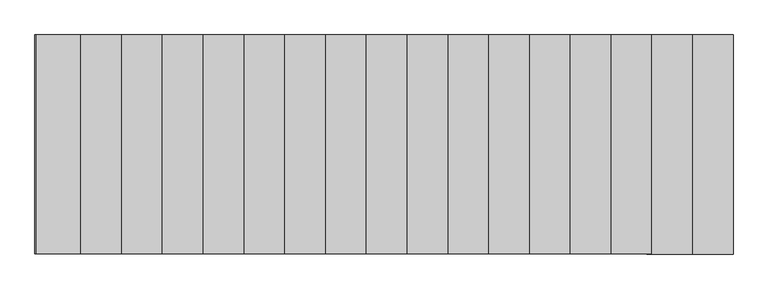
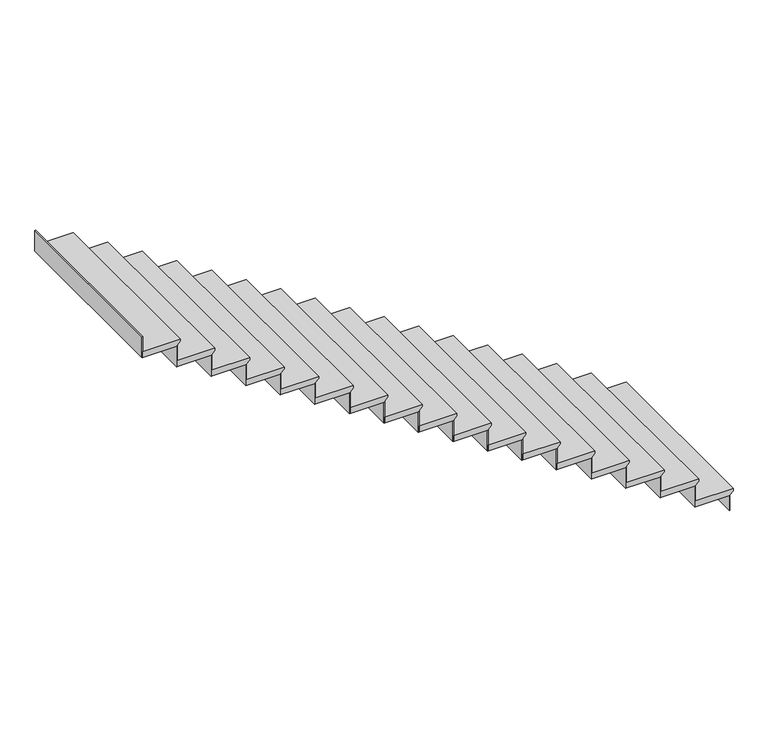
"""IFC4 building model written with IfcOpenShell, lengths in millimetres: stair flight geometry."""

from ifc_helpers import new_model, si_unit, frame, origin, origin_with_axes, place, context, project, spatial, polyline, outline, extrude, source, transform, mapped, element, save


def stair_flight_a8cb2626(model_context):
    return source(origin(), model_context, "Body", "SweptSolid", [
        extrude(outline(polyline([(177.8, 1914.8580564), (177.8, 1610.0580564), (127.0, 1610.0580564), (127.0, 1889.4580564), (133.35, 1889.4580564), (158.75, 1914.8580564), (177.8, 1914.8580564)])), frame((0.0, -5052.9991522, 0.0), z_axis=(0.0, 1.0, 0.0), x_axis=(0.0, 0.0, 1.0)), (0.0, 0.0, 1.0), 1500.0),
        extrude(outline(polyline([(1883.1080564, -3552.9991522), (1889.4580564, -3552.9991522), (1889.4580564, -5052.9991522), (1883.1080564, -5052.9991522), (1883.1080564, -3552.9991522)])), origin_with_axes(), (0.0, 0.0, 1.0), 127.0),
        extrude(outline(polyline([(355.6, 1635.4580564), (355.6, 1330.6580564), (304.8, 1330.6580564), (304.8, 1610.0580564), (311.15, 1610.0580564), (336.55, 1635.4580564), (355.6, 1635.4580564)])), frame((0.0, -5052.9991522, 0.0), z_axis=(0.0, 1.0, 0.0), x_axis=(0.0, 0.0, 1.0)), (0.0, 0.0, 1.0), 1500.0),
        extrude(outline(polyline([(1603.7080564, -3552.9991522), (1610.0580564, -3552.9991522), (1610.0580564, -5052.9991522), (1603.7080564, -5052.9991522), (1603.7080564, -3552.9991522)])), frame((0.0, 0.0, 127.0), z_axis=(0.0, 0.0, 1.0), x_axis=(1.0, 0.0, 0.0)), (0.0, 0.0, 1.0), 177.8),
        extrude(outline(polyline([(533.4, 1356.0580564), (533.4, 1051.2580564), (482.6, 1051.2580564), (482.6, 1330.6580564), (488.95, 1330.6580564), (514.35, 1356.0580564), (533.4, 1356.0580564)])), frame((0.0, -5052.9991522, 0.0), z_axis=(0.0, 1.0, 0.0), x_axis=(0.0, 0.0, 1.0)), (0.0, 0.0, 1.0), 1500.0),
        extrude(outline(polyline([(1324.3080564, -3552.9991522), (1330.6580564, -3552.9991522), (1330.6580564, -5052.9991522), (1324.3080564, -5052.9991522), (1324.3080564, -3552.9991522)])), frame((0.0, 0.0, 304.8), z_axis=(0.0, 0.0, 1.0), x_axis=(1.0, 0.0, 0.0)), (0.0, 0.0, 1.0), 177.8),
        extrude(outline(polyline([(711.2, 1076.6580564), (711.2, 771.8580564), (660.4, 771.8580564), (660.4, 1051.2580564), (666.75, 1051.2580564), (692.15, 1076.6580564), (711.2, 1076.6580564)])), frame((0.0, -5052.9991522, 0.0), z_axis=(0.0, 1.0, 0.0), x_axis=(0.0, 0.0, 1.0)), (0.0, 0.0, 1.0), 1500.0),
        extrude(outline(polyline([(1044.9080564, -3552.9991522), (1051.2580564, -3552.9991522), (1051.2580564, -5052.9991522), (1044.9080564, -5052.9991522), (1044.9080564, -3552.9991522)])), frame((0.0, 0.0, 482.6), z_axis=(0.0, 0.0, 1.0), x_axis=(1.0, 0.0, 0.0)), (0.0, 0.0, 1.0), 177.8),
        extrude(outline(polyline([(889.0, 797.2580564), (889.0, 492.4580564), (838.2, 492.4580564), (838.2, 771.8580564), (844.55, 771.8580564), (869.95, 797.2580564), (889.0, 797.2580564)])), frame((0.0, -5052.9991522, 0.0), z_axis=(0.0, 1.0, 0.0), x_axis=(0.0, 0.0, 1.0)), (0.0, 0.0, 1.0), 1500.0),
        extrude(outline(polyline([(765.5080564, -3552.9991522), (771.8580564, -3552.9991522), (771.8580564, -5052.9991522), (765.5080564, -5052.9991522), (765.5080564, -3552.9991522)])), frame((0.0, 0.0, 660.4), z_axis=(0.0, 0.0, 1.0), x_axis=(1.0, 0.0, 0.0)), (0.0, 0.0, 1.0), 177.8),
        extrude(outline(polyline([(1066.8, 517.8580564), (1066.8, 213.0580564), (1016.0, 213.0580564), (1016.0, 492.4580564), (1022.35, 492.4580564), (1047.75, 517.8580564), (1066.8, 517.8580564)])), frame((0.0, -5052.9991522, 0.0), z_axis=(0.0, 1.0, 0.0), x_axis=(0.0, 0.0, 1.0)), (0.0, 0.0, 1.0), 1500.0),
        extrude(outline(polyline([(486.1080564, -3552.9991522), (492.4580564, -3552.9991522), (492.4580564, -5052.9991522), (486.1080564, -5052.9991522), (486.1080564, -3552.9991522)])), frame((0.0, 0.0, 838.2), z_axis=(0.0, 0.0, 1.0), x_axis=(1.0, 0.0, 0.0)), (0.0, 0.0, 1.0), 177.8),
        extrude(outline(polyline([(1244.6, 238.4580564), (1244.6, -66.3419436), (1193.8, -66.3419436), (1193.8, 213.0580564), (1200.15, 213.0580564), (1225.55, 238.4580564), (1244.6, 238.4580564)])), frame((0.0, -5052.9991522, 0.0), z_axis=(0.0, 1.0, 0.0), x_axis=(0.0, 0.0, 1.0)), (0.0, 0.0, 1.0), 1500.0),
        extrude(outline(polyline([(206.7080564, -3552.9991522), (213.0580564, -3552.9991522), (213.0580564, -5052.9991522), (206.7080564, -5052.9991522), (206.7080564, -3552.9991522)])), frame((0.0, 0.0, 1016.0), z_axis=(0.0, 0.0, 1.0), x_axis=(1.0, 0.0, 0.0)), (0.0, 0.0, 1.0), 177.8),
        extrude(outline(polyline([(1422.4, -40.9419436), (1422.4, -345.7419436), (1371.6, -345.7419436), (1371.6, -66.3419436), (1377.95, -66.3419436), (1403.35, -40.9419436), (1422.4, -40.9419436)])), frame((0.0, -5052.9991522, 0.0), z_axis=(0.0, 1.0, 0.0), x_axis=(0.0, 0.0, 1.0)), (0.0, 0.0, 1.0), 1500.0),
        extrude(outline(polyline([(-72.6919436, -3552.9991522), (-66.3419436, -3552.9991522), (-66.3419436, -5052.9991522), (-72.6919436, -5052.9991522), (-72.6919436, -3552.9991522)])), frame((0.0, 0.0, 1193.8), z_axis=(0.0, 0.0, 1.0), x_axis=(1.0, 0.0, 0.0)), (0.0, 0.0, 1.0), 177.8),
        extrude(outline(polyline([(1600.2, -320.3419436), (1600.2, -625.1419436), (1549.4, -625.1419436), (1549.4, -345.7419436), (1555.75, -345.7419436), (1581.15, -320.3419436), (1600.2, -320.3419436)])), frame((0.0, -5052.9991522, 0.0), z_axis=(0.0, 1.0, 0.0), x_axis=(0.0, 0.0, 1.0)), (0.0, 0.0, 1.0), 1500.0),
        extrude(outline(polyline([(-352.0919436, -3552.9991522), (-345.7419436, -3552.9991522), (-345.7419436, -5052.9991522), (-352.0919436, -5052.9991522), (-352.0919436, -3552.9991522)])), frame((0.0, 0.0, 1371.6), z_axis=(0.0, 0.0, 1.0), x_axis=(1.0, 0.0, 0.0)), (0.0, 0.0, 1.0), 177.8),
        extrude(outline(polyline([(1778.0, -599.7419436), (1778.0, -904.5419436), (1727.2, -904.5419436), (1727.2, -625.1419436), (1733.55, -625.1419436), (1758.95, -599.7419436), (1778.0, -599.7419436)])), frame((0.0, -5052.9991522, 0.0), z_axis=(0.0, 1.0, 0.0), x_axis=(0.0, 0.0, 1.0)), (0.0, 0.0, 1.0), 1500.0),
        extrude(outline(polyline([(-631.4919436, -3552.9991522), (-625.1419436, -3552.9991522), (-625.1419436, -5052.9991522), (-631.4919436, -5052.9991522), (-631.4919436, -3552.9991522)])), frame((0.0, 0.0, 1549.4), z_axis=(0.0, 0.0, 1.0), x_axis=(1.0, 0.0, 0.0)), (0.0, 0.0, 1.0), 177.8),
        extrude(outline(polyline([(1955.8, -879.1419436), (1955.8, -1183.9419436), (1905.0, -1183.9419436), (1905.0, -904.5419436), (1911.35, -904.5419436), (1936.75, -879.1419436), (1955.8, -879.1419436)])), frame((0.0, -5052.9991522, 0.0), z_axis=(0.0, 1.0, 0.0), x_axis=(0.0, 0.0, 1.0)), (0.0, 0.0, 1.0), 1500.0),
        extrude(outline(polyline([(-910.8919436, -3552.9991522), (-904.5419436, -3552.9991522), (-904.5419436, -5052.9991522), (-910.8919436, -5052.9991522), (-910.8919436, -3552.9991522)])), frame((0.0, 0.0, 1727.2), z_axis=(0.0, 0.0, 1.0), x_axis=(1.0, 0.0, 0.0)), (0.0, 0.0, 1.0), 177.8),
        extrude(outline(polyline([(2133.6, -1158.5419436), (2133.6, -1463.3419436), (2082.8, -1463.3419436), (2082.8, -1183.9419436), (2089.15, -1183.9419436), (2114.55, -1158.5419436), (2133.6, -1158.5419436)])), frame((0.0, -5052.9991522, 0.0), z_axis=(0.0, 1.0, 0.0), x_axis=(0.0, 0.0, 1.0)), (0.0, 0.0, 1.0), 1500.0),
        extrude(outline(polyline([(-1190.2919436, -3552.9991522), (-1183.9419436, -3552.9991522), (-1183.9419436, -5052.9991522), (-1190.2919436, -5052.9991522), (-1190.2919436, -3552.9991522)])), frame((0.0, 0.0, 1905.0), z_axis=(0.0, 0.0, 1.0), x_axis=(1.0, 0.0, 0.0)), (0.0, 0.0, 1.0), 177.8),
        extrude(outline(polyline([(2311.4, -1437.9419436), (2311.4, -1742.7419436), (2260.6, -1742.7419436), (2260.6, -1463.3419436), (2266.95, -1463.3419436), (2292.35, -1437.9419436), (2311.4, -1437.9419436)])), frame((0.0, -5052.9991522, 0.0), z_axis=(0.0, 1.0, 0.0), x_axis=(0.0, 0.0, 1.0)), (0.0, 0.0, 1.0), 1500.0),
        extrude(outline(polyline([(-1469.6919436, -3552.9991522), (-1463.3419436, -3552.9991522), (-1463.3419436, -5052.9991522), (-1469.6919436, -5052.9991522), (-1469.6919436, -3552.9991522)])), frame((0.0, 0.0, 2082.8), z_axis=(0.0, 0.0, 1.0), x_axis=(1.0, 0.0, 0.0)), (0.0, 0.0, 1.0), 177.8),
        extrude(outline(polyline([(2489.2, -1717.3419436), (2489.2, -2022.1419436), (2438.4, -2022.1419436), (2438.4, -1742.7419436), (2444.75, -1742.7419436), (2470.15, -1717.3419436), (2489.2, -1717.3419436)])), frame((0.0, -5052.9991522, 0.0), z_axis=(0.0, 1.0, 0.0), x_axis=(0.0, 0.0, 1.0)), (0.0, 0.0, 1.0), 1500.0),
        extrude(outline(polyline([(-1749.0919436, -3552.9991522), (-1742.7419436, -3552.9991522), (-1742.7419436, -5052.9991522), (-1749.0919436, -5052.9991522), (-1749.0919436, -3552.9991522)])), frame((0.0, 0.0, 2260.6), z_axis=(0.0, 0.0, 1.0), x_axis=(1.0, 0.0, 0.0)), (0.0, 0.0, 1.0), 177.8),
        extrude(outline(polyline([(2667.0, -1996.7419436), (2667.0, -2301.5419436), (2616.2, -2301.5419436), (2616.2, -2022.1419436), (2622.55, -2022.1419436), (2647.95, -1996.7419436), (2667.0, -1996.7419436)])), frame((0.0, -5052.9991522, 0.0), z_axis=(0.0, 1.0, 0.0), x_axis=(0.0, 0.0, 1.0)), (0.0, 0.0, 1.0), 1500.0),
        extrude(outline(polyline([(-2028.4919436, -3552.9991522), (-2022.1419436, -3552.9991522), (-2022.1419436, -5052.9991522), (-2028.4919436, -5052.9991522), (-2028.4919436, -3552.9991522)])), frame((0.0, 0.0, 2438.4), z_axis=(0.0, 0.0, 1.0), x_axis=(1.0, 0.0, 0.0)), (0.0, 0.0, 1.0), 177.8),
        extrude(outline(polyline([(2844.8, -2276.1419436), (2844.8, -2580.9419436), (2794.0, -2580.9419436), (2794.0, -2301.5419436), (2800.35, -2301.5419436), (2825.75, -2276.1419436), (2844.8, -2276.1419436)])), frame((0.0, -5052.9991522, 0.0), z_axis=(0.0, 1.0, 0.0), x_axis=(0.0, 0.0, 1.0)), (0.0, 0.0, 1.0), 1500.0),
        extrude(outline(polyline([(-2307.8919436, -3552.9991522), (-2301.5419436, -3552.9991522), (-2301.5419436, -5052.9991522), (-2307.8919436, -5052.9991522), (-2307.8919436, -3552.9991522)])), frame((0.0, 0.0, 2616.2), z_axis=(0.0, 0.0, 1.0), x_axis=(1.0, 0.0, 0.0)), (0.0, 0.0, 1.0), 177.8),
        extrude(outline(polyline([(3022.6, -2555.5419436), (3022.6, -2860.3419436), (2971.8, -2860.3419436), (2971.8, -2580.9419436), (2978.15, -2580.9419436), (3003.55, -2555.5419436), (3022.6, -2555.5419436)])), frame((0.0, -5052.9991522, 0.0), z_axis=(0.0, 1.0, 0.0), x_axis=(0.0, 0.0, 1.0)), (0.0, 0.0, 1.0), 1500.0),
        extrude(outline(polyline([(-2587.2919436, -3552.9991522), (-2580.9419436, -3552.9991522), (-2580.9419436, -5052.9991522), (-2587.2919436, -5052.9991522), (-2587.2919436, -3552.9991522)])), frame((0.0, 0.0, 2794.0), z_axis=(0.0, 0.0, 1.0), x_axis=(1.0, 0.0, 0.0)), (0.0, 0.0, 1.0), 177.8),
        extrude(outline(polyline([(-2866.6919436, -3552.9991522), (-2860.3419436, -3552.9991522), (-2860.3419436, -5052.9991522), (-2866.6919436, -5052.9991522), (-2866.6919436, -3552.9991522)])), frame((0.0, 0.0, 2971.8), z_axis=(0.0, 0.0, 1.0), x_axis=(1.0, 0.0, 0.0)), (0.0, 0.0, 1.0), 177.8),
    ])


if __name__ == "__main__":
    model = new_model("IFC4")
    model_context = context("Model", 3, world=origin())
    ifc_project = project(units=[si_unit("LENGTHUNIT", "METRE", prefix="MILLI")], contexts=[model_context])
    site = spatial("IfcSite", under=ifc_project)
    building = spatial("IfcBuilding", under=site)
    placement = place(None, origin())
    stair_flight_shape = stair_flight_a8cb2626(model_context)
    element("IfcStairFlight", 1, at=placement, inside=building, context=model_context, shape_type="MappedRepresentation", body=[
        mapped(stair_flight_shape, transform((0.0, 0.0, 0.0), x_axis=(1.0, 0.0, 0.0), y_axis=(0.0, 1.0, 0.0), z_axis=(0.0, 0.0, 1.0))),
    ])
    save(model, "model.ifc")
